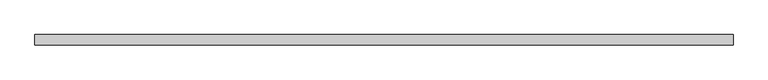
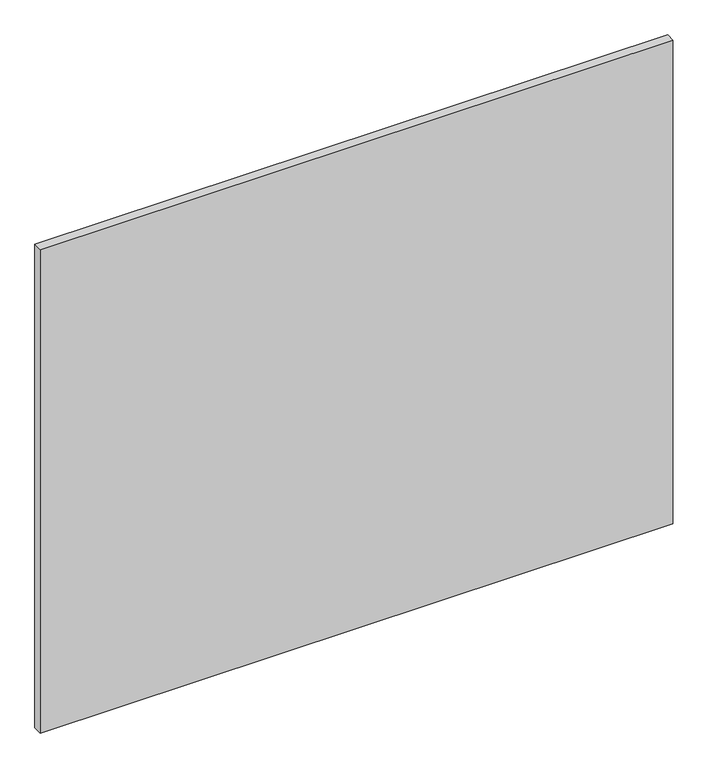
"""IFC4 building model written with IfcOpenShell, lengths in millimetres: plate geometry."""

from ifc_helpers import new_model, si_unit, origin, origin_with_axes, place, context, project, spatial, polyline, outline, extrude, source, transform, mapped, element, save


def plate_b000b9ba(model_context):
    return source(origin(), model_context, "Body", "SweptSolid", [
        extrude(outline(polyline([(1090.3105056, -15.875), (-1090.3105056, -15.875), (-1090.3105056, 15.875), (1090.3105056, 15.875), (1090.3105056, -15.875)])), origin_with_axes(), (0.0, 0.0, 1.0), 1761.2320313),
    ])


if __name__ == "__main__":
    model = new_model("IFC4")
    model_context = context("Model", 3, world=origin())
    ifc_project = project(units=[si_unit("LENGTHUNIT", "METRE", prefix="MILLI")], contexts=[model_context])
    site = spatial("IfcSite", under=ifc_project)
    building = spatial("IfcBuilding", under=site)
    placement = place(None, origin())
    plate_shape = plate_b000b9ba(model_context)
    element("IfcPlate", 1, at=placement, inside=building, context=model_context, shape_type="MappedRepresentation", body=[
        mapped(plate_shape, transform((0.0, 0.0, 0.0), x_axis=(1.0, 0.0, 0.0), y_axis=(0.0, 1.0, 0.0), z_axis=(0.0, 0.0, 1.0))),
    ])
    save(model, "model.ifc")
